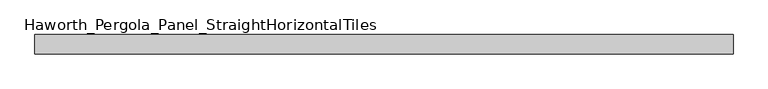
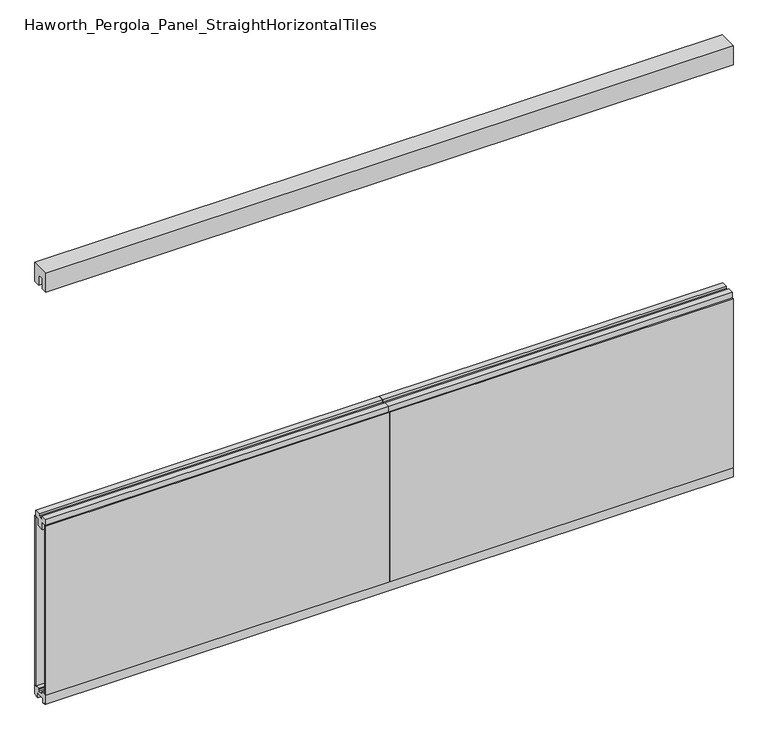
"""IFC4 building model written with IfcOpenShell, lengths in millimetres: furniture geometry, Haworth_Pergola_Panel_StraightHorizontalTiles."""

from ifc_helpers import new_model, si_unit, frame, origin, place, context, project, spatial, polyline, outline, extrude, source, transform, mapped, element, save


def haworth_pergola_panel_straighthorizontaltiles_da99c4b1(model_context):
    return source(origin(), model_context, "Body", "SweptSolid", [
        extrude(outline(polyline([(12.7, 1047.75), (44.45, 1047.75), (44.45, 1016.0), (19.05, 1016.0), (19.05, 977.9), (-19.05, 977.9), (-19.05, 1016.0), (-44.45, 1016.0), (-44.45, 1047.75), (-12.7, 1047.75), (-12.7, 1035.05), (12.7, 1035.05), (12.7, 1047.75)])), frame((38.1, 0.0, 0.0), z_axis=(1.0, 0.0, 0.0), x_axis=(0.0, 1.0, 0.0)), (0.0, 0.0, 1.0), 1828.8),
        extrude(outline(polyline([(38.1, 50.8), (1866.9, 50.8), (1866.9, 38.1), (38.1, 38.1), (38.1, 50.8)])), frame((0.0, 0.0, 63.5), z_axis=(0.0, 0.0, 1.0), x_axis=(1.0, 0.0, 0.0)), (0.0, 0.0, 1.0), 952.5),
        extrude(outline(polyline([(38.1, -38.1), (1866.9, -38.1), (1866.9, -50.8), (38.1, -50.8), (38.1, -38.1)])), frame((0.0, 0.0, 63.5), z_axis=(0.0, 0.0, 1.0), x_axis=(1.0, 0.0, 0.0)), (0.0, 0.0, 1.0), 952.5),
        extrude(outline(polyline([(12.7, 1047.75), (44.45, 1047.75), (44.45, 1016.0), (19.05, 1016.0), (19.05, 977.9), (-19.05, 977.9), (-19.05, 1016.0), (-44.45, 1016.0), (-44.45, 1047.75), (-12.7, 1047.75), (-12.7, 1035.05), (12.7, 1035.05), (12.7, 1047.75)])), frame((-1790.7, 0.0, 0.0), z_axis=(1.0, 0.0, 0.0), x_axis=(0.0, 1.0, 0.0)), (0.0, 0.0, 1.0), 1828.8),
        extrude(outline(polyline([(-1790.7, 50.8), (38.1, 50.8), (38.1, 38.1), (-1790.7, 38.1), (-1790.7, 50.8)])), frame((0.0, 0.0, 63.5), z_axis=(0.0, 0.0, 1.0), x_axis=(1.0, 0.0, 0.0)), (0.0, 0.0, 1.0), 952.5),
        extrude(outline(polyline([(-1790.7, -38.1), (38.1, -38.1), (38.1, -50.8), (-1790.7, -50.8), (-1790.7, -38.1)])), frame((0.0, 0.0, 63.5), z_axis=(0.0, 0.0, 1.0), x_axis=(1.0, 0.0, 0.0)), (0.0, 0.0, 1.0), 952.5),
        extrude(outline(polyline([(-50.8, 2438.4), (50.8, 2438.4), (50.8, 2331.8390625), (15.2182948, 2331.8390625), (15.2182948, 2388.7001663), (-15.2182948, 2388.7001663), (-15.2182948, 2331.8390625), (-50.8, 2331.8390625), (-50.8, 2438.4)])), frame((-1790.7, 0.0, 0.0), z_axis=(1.0, 0.0, 0.0), x_axis=(0.0, 1.0, 0.0)), (0.0, 0.0, 1.0), 3657.6),
        extrude(outline(polyline([(-16.2000002, 63.5), (-16.5085717, 61.7499999), (-13.3999996, 61.7499999), (-13.3999996, 58.8973461), (-15.4000002, 59.2499999), (-15.4000002, 48.3500004), (15.4000003, 48.3500004), (15.4000003, 59.2499999), (13.3999997, 58.8973461), (13.3999997, 61.7499999), (16.5085718, 61.7499999), (16.2000003, 63.5), (50.0000004, 63.5), (50.0000004, 12.6999985), (40.9499987, 12.6999985), (38.9499981, 10.6999979), (28.9499999, 10.6999979), (28.9499999, 7.6999994), (38.9499981, 7.6999994), (38.9499981, 5.6999988), (23.7499993, 5.6999988), (23.7499993, 31.4500009), (-23.7499992, 31.4500009), (-23.7499992, 5.6999988), (-38.949998, 5.6999988), (-38.949998, 7.6999994), (-28.9499998, 7.6999994), (-28.9499998, 10.6999979), (-38.949998, 10.6999979), (-40.9499986, 12.6999985), (-50.0000003, 12.6999985), (-50.0000003, 63.5), (-16.2000002, 63.5)])), frame((-1790.7, 0.0, 0.0), z_axis=(1.0, 0.0, 0.0), x_axis=(0.0, 1.0, 0.0)), (0.0, 0.0, 1.0), 3657.6),
    ])


if __name__ == "__main__":
    model = new_model("IFC4")
    model_context = context("Model", 3, world=origin())
    ifc_project = project(units=[si_unit("LENGTHUNIT", "METRE", prefix="MILLI")], contexts=[model_context])
    site = spatial("IfcSite", under=ifc_project)
    building = spatial("IfcBuilding", under=site)
    placement = place(None, origin())
    haworth_pergola_panel_straighthorizontaltiles_shape = haworth_pergola_panel_straighthorizontaltiles_da99c4b1(model_context)
    element("IfcFurniture", 1, ObjectType="Haworth_Pergola_Panel_StraightHorizontalTiles", at=placement, inside=building, context=model_context, shape_type="MappedRepresentation", body=[
        mapped(haworth_pergola_panel_straighthorizontaltiles_shape, transform((0.0, 0.0, 0.0), x_axis=(1.0, 0.0, 0.0), y_axis=(0.0, 1.0, 0.0), z_axis=(0.0, 0.0, 1.0))),
    ])
    save(model, "model.ifc")
